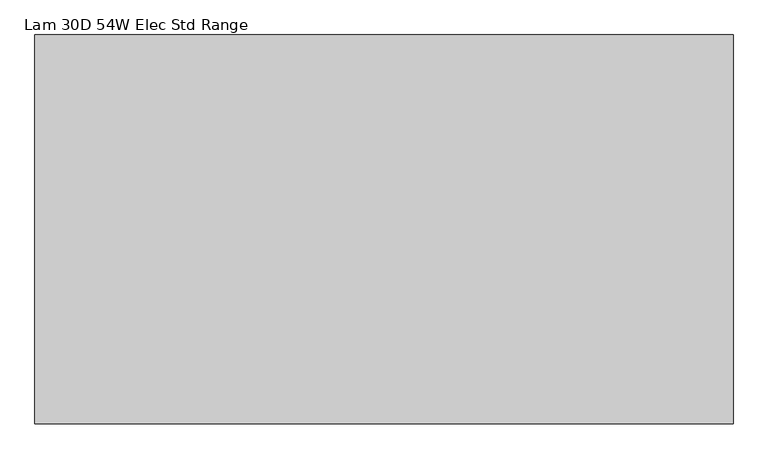
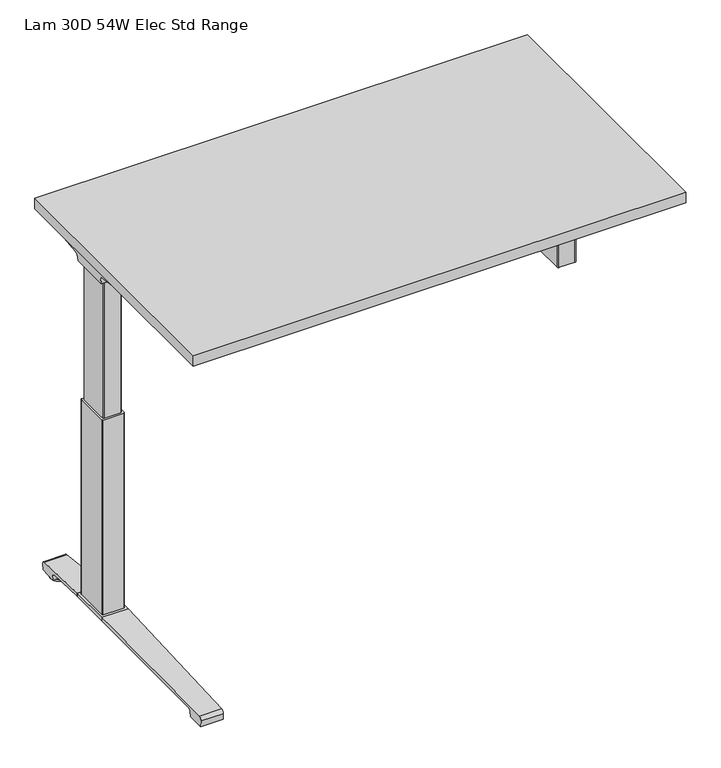
"""IFC4 building model written with IfcOpenShell, lengths in millimetres: furniture geometry, Lam 30D 54W Elec Std Range."""

from ifc_helpers import new_model, si_unit, point, frame, frame_2d, origin, place, context, project, spatial, polyline, circle_curve, ellipse_curve, trimmed, segment, composite_curve, outline, extrude, source, transform, mapped, element, save
from ifc_brep_helpers import plane_surface, cylinder_surface, revolved_surface, advanced_brep


def lam_30d_54w_elec_std_range_4f006504(model_context):
    return source(origin(), model_context, "Body", "SolidModel", [
        extrude(outline(polyline([(658.876, 366.776), (658.876, -366.776), (-658.876, -366.776), (-658.876, 366.776), (658.876, 366.776)])), frame((0.0, 0.0, 1037.209), z_axis=(0.0, 0.0, 1.0), x_axis=(1.0, 0.0, 0.0)), (0.0, 0.0, 1.0), 29.591),
        advanced_brep(
        [(-642.5406297, 194.2506702, 988.7915733), (-476.8122138, 194.2506702, 988.7915733), (-491.1924181, 192.0222169, 986.1442785), (-640.0518591, 192.0222169, 986.1442785), (-642.7625278, 194.259656, 989.0276054), (-645.1619089, 194.9036827, 1005.9443054), (-462.3773962, 194.9036827, 1005.9443054), (-462.3773962, 194.5556965, 996.8037253), (-465.2075093, 194.4745058, 994.6710821), (-465.3501644, 194.3968397, 992.6310191), (-646.0185362, 200.3707181, 1011.9839076), (-462.3773962, 200.3707181, 1011.9839076), (-648.5393767, 314.9419225, 1029.7569507), (-584.3243442, 314.9419225, 1029.7569507), (-462.3773962, 234.1372, 1017.2219877), (-648.6128152, 318.7179275, 1030.2747243), (-590.0229255, 318.7179275, 1030.2747243), (-649.2871296, 320.2281839, 1035.0289399), (-647.5021288, 317.6512888, 1037.209), (-588.4132011, 317.6512888, 1037.209), (-649.2871296, -38.7453839, 1035.0289399), (-648.6128152, -37.2351275, 1030.2747243), (-590.0229255, -37.2351275, 1030.2747243), (-588.4132011, -36.1684888, 1037.209), (-647.5021288, -36.1684888, 1037.209), (-648.5393767, -33.4591225, 1029.7569507), (-584.3243442, -33.4591225, 1029.7569507), (-646.0185362, 81.1120819, 1011.9839076), (-462.3773962, 81.1120819, 1011.9839076), (-462.3773962, 47.3456, 1017.2219877), (-645.1619089, 86.5791173, 1005.9443054), (-462.3773962, 86.5791173, 1005.9443054), (-642.7625278, 87.223144, 989.0276054), (-642.5406297, 87.2321298, 988.7915733), (-476.8122138, 87.2321298, 988.7915733), (-465.3501644, 87.0859603, 992.6310191), (-465.2075093, 87.0082942, 994.6710821), (-462.3773962, 86.9271035, 996.8037253), (-640.0518591, 89.4605831, 986.1442785), (-491.1924181, 89.4605831, 986.1442785), (-462.3773962, 47.3456, 1037.209), (-462.3773962, 234.1372, 1037.209)],
        [
            (0, 1),
            (1, 2, ellipse_curve(frame((-501.0936465, 271.2884009, 1080.3086722), z_axis=(0.0, 0.7650318638532662, -0.6439924279750482), x_axis=(0.0, 0.6439924279750482, 0.7650318638532662)), 123.7641411, 94.6835116)),
            (2, 3),
            (3, 0),
            (0, 4),
            (4, 5),
            (5, 6),
            (6, 7),
            (7, 8),
            (8, 9),
            (9, 1, ellipse_curve(frame((-501.0936465, 197.7347686, 1080.3086722), z_axis=(0.0, 0.999276106683639, -0.03804290487316255), x_axis=(0.0, 0.03804290487316397, 0.999276106683639)), 94.752102, 94.6835116)),
            (5, 10, ellipse_curve(frame((-645.1119691, 201.3622409, 1005.5922075), z_axis=(-0.990090671484964, 0.0, -0.14042956326377007), x_axis=(-0.1404295632637696, 0.0, 0.990090671484964)), 6.5328852, 6.4681487)),
            (10, 11),
            (11, 6, circle_curve(frame((-462.3773962, 201.3622409, 1005.5922075), z_axis=(1.0, 0.0, 0.0), x_axis=(0.0, 1.0, 0.0)), 6.4681487)),
            (10, 12),
            (12, 13),
            (13, 14),
            (14, 11),
            (12, 15),
            (15, 16),
            (16, 13),
            (15, 17, ellipse_curve(frame((-649.0730772, 316.7408111, 1033.5197755), z_axis=(0.990090671484964, 0.0, 0.14042956326377007), x_axis=(0.1404295632637696, 0.0, -0.990090671484964)), 3.8379455, 3.7999141)),
            (17, 18, ellipse_curve(frame((-650.522811, 316.7408111, 1033.5197755), z_axis=(0.7737284588433301, 0.0, -0.6335173809580328), x_axis=(0.6335173809580328, 0.0, 0.77372845884333)), 4.9111727, 3.7999141)),
            (18, 19),
            (19, 16, ellipse_curve(frame((-587.039148, 316.7408111, 1033.5197755), z_axis=(-0.5523637579768195, -0.8336031902972335, 0.0), x_axis=(0.8336031902972335, -0.5523637579768196, 0.0)), 6.8793689, 3.7999141)),
            (20, 21, ellipse_curve(frame((-649.0730772, -35.2580111, 1033.5197755), z_axis=(0.990090671484964, 0.0, 0.14042956326377007), x_axis=(0.1404295632637696, 0.0, -0.990090671484964)), 3.8379455, 3.7999141)),
            (21, 22),
            (22, 23, ellipse_curve(frame((-587.039148, -35.2580111, 1033.5197755), z_axis=(-0.5523637579750397, 0.8336031902984129, 0.0), x_axis=(0.8336031902984127, 0.5523637579750397, 0.0)), 6.8793689, 3.7999141)),
            (23, 24),
            (24, 20, ellipse_curve(frame((-650.522811, -35.2580111, 1033.5197755), z_axis=(0.7737284588433301, 0.0, -0.6335173809580328), x_axis=(0.6335173809580328, 0.0, 0.77372845884333)), 4.9111727, 3.7999141)),
            (21, 25),
            (25, 26),
            (26, 22),
            (27, 28),
            (28, 29),
            (29, 26),
            (25, 27),
            (27, 30, ellipse_curve(frame((-645.1119691, 80.1205591, 1005.5922075), z_axis=(-0.990090671484964, 0.0, -0.14042956326377007), x_axis=(-0.1404295632637696, 0.0, 0.990090671484964)), 6.5328852, 6.4681487)),
            (30, 31),
            (31, 28, circle_curve(frame((-462.3773962, 80.1205591, 1005.5922075), z_axis=(1.0, 0.0, 0.0), x_axis=(0.0, 1.0, 0.0)), 6.4681487)),
            (30, 32),
            (32, 33),
            (33, 34),
            (34, 35, ellipse_curve(frame((-501.0936465, 83.7480314, 1080.3086722), z_axis=(0.0, -0.9992761066836363, -0.03804290487323539), x_axis=(0.0, 0.03804290487323121, -0.9992761066836364)), 94.752102, 94.6835116)),
            (35, 36),
            (36, 37),
            (37, 31),
            (33, 38),
            (38, 39),
            (39, 34, ellipse_curve(frame((-501.0936465, 10.1943991, 1080.3086722), z_axis=(0.0, -0.7650318638534733, -0.643992427974802), x_axis=(0.0, 0.643992427974802, -0.7650318638534732)), 123.7641411, 94.6835116)),
            (4, 32),
            (20, 17),
            (24, 18),
            (23, 40),
            (40, 41),
            (41, 19),
            (37, 7),
            (14, 41),
            (40, 29),
            (36, 8),
            (35, 9),
            (39, 2),
            (38, 3),
        ],
        [
            plane_surface(frame((-665.5773962, 192.0222169, 986.1442785), z_axis=(0.0, 0.7650318638532662, -0.6439924279750482), x_axis=(1.0, 0.0, 0.0))),
            plane_surface(frame((-665.5773962, 194.2506702, 988.7915733), z_axis=(0.0, 0.999276106683639, -0.03804290487316255), x_axis=(1.0, 0.0, 0.0))),
            revolved_surface(polyline([(-646.0293793154883, 207.8303896, 1005.5922075), (-462.3773962, 207.8303896, 1005.5922075)]), (-665.5773962, 201.3622409, 1005.5922075), (-1.0, 0.0, 0.0)),
            plane_surface(frame((-665.5773962, 200.3707181, 1011.9839076), z_axis=(0.0, 0.153293135871396, -0.9881807600306302), x_axis=(1.0, 0.0, 0.0))),
            plane_surface(frame((-665.5773962, 314.9419225, 1029.7569507), z_axis=(0.0, 0.13585085469026903, -0.9907292996979162), x_axis=(1.0, 0.0, 0.0))),
            cylinder_surface(frame((-665.5773962, 316.7408111, 1033.5197755), z_axis=(1.0, 0.0, 0.0), x_axis=(0.0, 1.0, 0.0)), 3.7999141),
            cylinder_surface(frame((-665.5773962, -35.2580111, 1033.5197755), z_axis=(1.0, 0.0, 0.0), x_axis=(0.0, 1.0, 0.0)), 3.7999141),
            plane_surface(frame((-665.5773962, -37.2351275, 1030.2747243), z_axis=(0.0, -0.13585085468791205, -0.9907292996982394), x_axis=(1.0, 0.0, 0.0))),
            plane_surface(frame((-665.5773962, -33.4591225, 1029.7569507), z_axis=(0.0, -0.1532931358714066, -0.9881807600306285), x_axis=(1.0, 0.0, 0.0))),
            revolved_surface(polyline([(-646.0293793154883, 86.5887078, 1005.5922075), (-462.3773962, 86.5887078, 1005.5922075)]), (-665.5773962, 80.1205591, 1005.5922075), (-1.0, 0.0, 0.0)),
            plane_surface(frame((-665.5773962, 86.5791173, 1005.9443054), z_axis=(0.0, -0.9992761066836363, -0.03804290487323539), x_axis=(1.0, 0.0, 0.0))),
            plane_surface(frame((-665.5773962, 87.2321298, 988.7915733), z_axis=(0.0, -0.7650318638534733, -0.643992427974802), x_axis=(1.0, 0.0, 0.0))),
            plane_surface(frame((-642.7625278, 331.2414, 989.0276054), z_axis=(-0.990090671484964, 0.0, -0.14042956326377007), x_axis=(0.0, -1.0, 0.0))),
            plane_surface(frame((-649.2871296, 331.2414, 1035.0289399), z_axis=(-0.7737284588433301, 0.0, 0.6335173809580328), x_axis=(0.0, -1.0, 0.0))),
            plane_surface(frame((-647.5021288, 331.2414, 1037.209), z_axis=(0.0, 0.0, 1.0), x_axis=(0.0, -1.0, 0.0))),
            plane_surface(frame((-462.3773962, 331.2414, 1037.209), z_axis=(1.0, 0.0, 0.0), x_axis=(0.0, -1.0, 0.0))),
            plane_surface(frame((-462.3773962, 331.2414, 996.8037253), z_axis=(0.6018150231516033, 0.0, -0.7986355100476283), x_axis=(0.0, -1.0, 0.0))),
            plane_surface(frame((-465.2075093, 331.2414, 994.6710821), z_axis=(0.9975640502600401, 0.0, -0.06975647374103827), x_axis=(0.0, -1.0, 0.0))),
            cylinder_surface(frame((-501.0936465, 331.2414, 1080.3086722), z_axis=(0.0, 1.0, 0.0), x_axis=(1.0, 0.0, 0.0)), 94.6835116),
            plane_surface(frame((-491.1924181, 331.2414, 986.1442785), z_axis=(0.0, 0.0, -1.0), x_axis=(0.0, -1.0, 0.0))),
            plane_surface(frame((-640.0518591, 331.2414, 986.1442785), z_axis=(-0.728584606419653, 0.0, -0.6849558170337118), x_axis=(0.0, -1.0, 0.0))),
            plane_surface(frame((-608.9228017, 331.2414, 1037.209), z_axis=(0.5523637579768195, 0.8336031902972335, 0.0), x_axis=(0.0, 0.0, -1.0))),
            plane_surface(frame((-462.3773962, 47.3456, 1037.209), z_axis=(0.5523637579750397, -0.8336031902984129, 0.0), x_axis=(0.0, 0.0, -1.0))),
        ],
        [
            (0, [[1, 2, 3, 4]]),
            (1, [[-1, 5, 6, 7, 8, 9, 10, 11]]),
            (2, [[-7, 12, 13, 14]]),
            (3, [[-13, 15, 16, 17, 18]]),
            (4, [[19, 20, 21, -16]]),
            (5, [[22, 23, 24, 25, -20]]),
            (6, [[26, 27, 28, 29, 30]]),
            (7, [[31, 32, 33, -27]]),
            (8, [[34, 35, 36, -32, 37]]),
            (9, [[-34, 38, 39, 40]]),
            (10, [[-39, 41, 42, 43, 44, 45, 46, 47]]),
            (11, [[-43, 48, 49, 50]]),
            (12, [[51, -41, -38, -37, -31, -26, 52, -22, -19, -15, -12, -6]]),
            (13, [[-52, -30, 53, -23]]),
            (14, [[-53, -29, 54, 55, 56, -24]]),
            (15, [[57, -8, -14, -18, 58, -55, 59, -35, -40, -47]]),
            (16, [[-57, -46, 60, -9]]),
            (17, [[-60, -45, 61, -10]]),
            (18, [[-61, -44, -50, 62, -2, -11]]),
            (19, [[-62, -49, 63, -3]]),
            (20, [[-51, -5, -4, -63, -48, -42]]),
            (21, [[-56, -58, -17, -21, -25]]),
            (22, [[-54, -28, -33, -36, -59]]),
        ],
    ),
        advanced_brep(
        [(476.8122138, 194.2506702, 988.7915733), (642.5406297, 194.2506702, 988.7915733), (640.0518591, 192.0222169, 986.1442785), (491.1924181, 192.0222169, 986.1442785), (465.3501644, 194.3968397, 992.6310191), (465.2075093, 194.4745058, 994.6710821), (462.5619573, 194.5504018, 996.6646485), (462.5619573, 194.9036827, 1005.9443054), (645.1619089, 194.9036827, 1005.9443054), (642.7625278, 194.259656, 989.0276054), (462.5619573, 200.3707181, 1011.9839076), (646.0185362, 200.3707181, 1011.9839076), (462.5619573, 234.1303953, 1017.2209321), (584.3570453, 314.9419225, 1029.7569507), (648.5393767, 314.9419225, 1029.7569507), (648.6128152, 318.7179275, 1030.2747243), (590.0480509, 318.7179275, 1030.2747243), (649.2871296, 320.2281839, 1035.0289399), (588.4404665, 317.6512888, 1037.209), (647.5021288, 317.6512888, 1037.209), (648.6128152, -37.2351275, 1030.2747243), (649.2871296, -38.7453839, 1035.0289399), (647.5021288, -36.1684888, 1037.209), (588.4404665, -36.1684888, 1037.209), (590.0480509, -37.2351275, 1030.2747243), (648.5393767, -33.4591225, 1029.7569507), (584.3570453, -33.4591225, 1029.7569507), (462.5619573, 81.1120819, 1011.9839076), (646.0185362, 81.1120819, 1011.9839076), (462.5619573, 47.3524047, 1017.2209321), (462.5619573, 86.5791173, 1005.9443054), (645.1619089, 86.5791173, 1005.9443054), (462.5619573, 86.9323982, 996.6646485), (465.2075093, 87.0082942, 994.6710821), (465.3501644, 87.0859603, 992.6310191), (476.8122138, 87.2321298, 988.7915733), (642.5406297, 87.2321298, 988.7915733), (642.7625278, 87.223144, 989.0276054), (491.1924181, 89.4605831, 986.1442785), (640.0518591, 89.4605831, 986.1442785), (462.5619573, 234.1303953, 1037.209), (462.5619573, 47.3524047, 1037.209)],
        [
            (0, 1),
            (1, 2),
            (2, 3),
            (3, 0, ellipse_curve(frame((501.0936465, 271.2884009, 1080.3086722), z_axis=(0.0, 0.7650318638532565, -0.6439924279750596), x_axis=(0.0, -0.6439924279750596, -0.7650318638532564)), 123.7641411, 94.6835116)),
            (0, 4, ellipse_curve(frame((501.0936465, 197.7347686, 1080.3086722), z_axis=(0.0, 0.9992761066836392, -0.03804290487315862), x_axis=(0.0, -0.03804290487315623, -0.9992761066836393)), 94.752102, 94.6835116)),
            (4, 5),
            (5, 6),
            (6, 7),
            (7, 8),
            (8, 9),
            (9, 1),
            (7, 10, circle_curve(frame((462.5619573, 201.3622409, 1005.5922075), z_axis=(-1.0, 0.0, 0.0), x_axis=(0.0, 1.0, 0.0)), 6.4681487)),
            (10, 11),
            (11, 8, ellipse_curve(frame((645.1119691, 201.3622409, 1005.5922075), z_axis=(0.9900906714849659, 0.0, -0.1404295632637567), x_axis=(-0.1404295632637562, 0.0, -0.9900906714849659)), 6.5328852, 6.4681487)),
            (10, 12),
            (12, 13),
            (13, 14),
            (14, 11),
            (15, 14),
            (13, 16),
            (16, 15),
            (17, 15, ellipse_curve(frame((649.0730772, 316.7408111, 1033.5197755), z_axis=(-0.9900906714849659, 0.0, 0.1404295632637567), x_axis=(0.1404295632637562, 0.0, 0.9900906714849659)), 3.8379455, 3.7999141)),
            (16, 18, ellipse_curve(frame((587.06824, 316.7408111, 1033.5197755), z_axis=(0.5528743936295486, -0.8332646067539164, 0.0), x_axis=(0.8332646067539164, 0.5528743936295486, 0.0)), 6.8730151, 3.7999141)),
            (18, 19),
            (19, 17, ellipse_curve(frame((650.522811, 316.7408111, 1033.5197755), z_axis=(-0.7737284588399557, 0.0, -0.633517380962154), x_axis=(0.6335173809621538, 0.0, -0.7737284588399556)), 4.9111727, 3.7999141)),
            (20, 21, ellipse_curve(frame((649.0730772, -35.2580111, 1033.5197755), z_axis=(-0.9900906714849659, 0.0, 0.1404295632637567), x_axis=(0.1404295632637562, 0.0, 0.9900906714849659)), 3.8379455, 3.7999141)),
            (21, 22, ellipse_curve(frame((650.522811, -35.2580111, 1033.5197755), z_axis=(-0.7737284588399557, 0.0, -0.633517380962154), x_axis=(0.6335173809621538, 0.0, -0.7737284588399556)), 4.9111727, 3.7999141)),
            (22, 23),
            (23, 24, ellipse_curve(frame((587.06824, -35.2580111, 1033.5197755), z_axis=(0.5528743936295326, 0.833264606753927, 0.0), x_axis=(0.833264606753927, -0.5528743936295326, 0.0)), 6.8730151, 3.7999141)),
            (24, 20),
            (25, 20),
            (24, 26),
            (26, 25),
            (27, 28),
            (28, 25),
            (26, 29),
            (29, 27),
            (27, 30, circle_curve(frame((462.5619573, 80.1205591, 1005.5922075), z_axis=(-1.0, 0.0, 0.0), x_axis=(0.0, 1.0, 0.0)), 6.4681487)),
            (30, 31),
            (31, 28, ellipse_curve(frame((645.1119691, 80.1205591, 1005.5922075), z_axis=(0.9900906714849659, 0.0, -0.1404295632637567), x_axis=(-0.1404295632637562, 0.0, -0.9900906714849659)), 6.5328852, 6.4681487)),
            (30, 32),
            (32, 33),
            (33, 34),
            (34, 35, ellipse_curve(frame((501.0936465, 83.7480314, 1080.3086722), z_axis=(0.0, -0.9992761066836363, -0.03804290487323539), x_axis=(0.0, -0.03804290487323121, 0.9992761066836364)), 94.752102, 94.6835116)),
            (35, 36),
            (36, 37),
            (37, 31),
            (35, 38, ellipse_curve(frame((501.0936465, 10.1943991, 1080.3086722), z_axis=(0.0, -0.7650318638534733, -0.643992427974802), x_axis=(0.0, -0.643992427974802, 0.7650318638534732)), 123.7641411, 94.6835116)),
            (38, 39),
            (39, 36),
            (37, 9),
            (17, 21),
            (19, 22),
            (18, 40),
            (40, 41),
            (41, 23),
            (6, 32),
            (29, 41),
            (40, 12),
            (5, 33),
            (4, 34),
            (3, 38),
            (2, 39),
        ],
        [
            plane_surface(frame((462.5619573, 192.0222169, 986.1442785), z_axis=(0.0, 0.7650318638532565, -0.6439924279750596), x_axis=(1.0, 0.0, 0.0))),
            plane_surface(frame((462.5619573, 194.2506702, 988.7915733), z_axis=(0.0, 0.9992761066836392, -0.03804290487315862), x_axis=(1.0, 0.0, 0.0))),
            revolved_surface(polyline([(462.5619573, 207.8303896, 1005.5922075), (646.0293793154883, 207.8303896, 1005.5922075)]), (462.5619573, 201.3622409, 1005.5922075), (-1.0, 0.0, 0.0)),
            plane_surface(frame((462.5619573, 200.3707181, 1011.9839076), z_axis=(0.0, 0.15329313587140309, -0.988180760030629), x_axis=(1.0, 0.0, 0.0))),
            plane_surface(frame((462.5619573, 314.9419225, 1029.7569507), z_axis=(0.0, 0.1358508546900816, -0.9907292996979419), x_axis=(1.0, 0.0, 0.0))),
            cylinder_surface(frame((462.5619573, 316.7408111, 1033.5197755), z_axis=(1.0, 0.0, 0.0), x_axis=(0.0, 1.0, 0.0)), 3.7999141),
            cylinder_surface(frame((462.5619573, -35.2580111, 1033.5197755), z_axis=(1.0, 0.0, 0.0), x_axis=(0.0, 1.0, 0.0)), 3.7999141),
            plane_surface(frame((462.5619573, -37.2351275, 1030.2747243), z_axis=(0.0, -0.1358508546877776, -0.9907292996982578), x_axis=(1.0, 0.0, 0.0))),
            plane_surface(frame((462.5619573, -33.4591225, 1029.7569507), z_axis=(0.0, -0.15329313587141113, -0.9881807600306277), x_axis=(1.0, 0.0, 0.0))),
            revolved_surface(polyline([(462.5619573, 86.5887078, 1005.5922075), (646.0293793154883, 86.5887078, 1005.5922075)]), (462.5619573, 80.1205591, 1005.5922075), (-1.0, 0.0, 0.0)),
            plane_surface(frame((462.5619573, 86.5791173, 1005.9443054), z_axis=(0.0, -0.9992761066836363, -0.03804290487323539), x_axis=(1.0, 0.0, 0.0))),
            plane_surface(frame((462.5619573, 87.2321298, 988.7915733), z_axis=(0.0, -0.7650318638534733, -0.643992427974802), x_axis=(1.0, 0.0, 0.0))),
            plane_surface(frame((642.7625278, -49.7586, 989.0276054), z_axis=(0.9900906714849659, 0.0, -0.1404295632637567), x_axis=(0.0, 1.0, 0.0))),
            plane_surface(frame((649.2871296, -49.7586, 1035.0289399), z_axis=(0.7737284588399557, 0.0, 0.633517380962154), x_axis=(0.0, 1.0, 0.0))),
            plane_surface(frame((647.5021288, -49.7586, 1037.209), z_axis=(0.0, 0.0, 1.0), x_axis=(0.0, 1.0, 0.0))),
            plane_surface(frame((462.5619573, -49.7586, 1037.209), z_axis=(-1.0, 0.0, 0.0), x_axis=(0.0, 1.0, 0.0))),
            plane_surface(frame((462.5619573, -49.7586, 996.6646485), z_axis=(-0.6018150231540825, 0.0, -0.7986355100457599), x_axis=(0.0, 1.0, 0.0))),
            plane_surface(frame((465.2075093, -49.7586, 994.6710821), z_axis=(-0.9975640502598242, 0.0, -0.06975647374412697), x_axis=(0.0, 1.0, 0.0))),
            cylinder_surface(frame((501.0936465, -49.7586, 1080.3086722), z_axis=(0.0, -1.0, 0.0), x_axis=(-1.0, 0.0, 0.0)), 94.6835116),
            plane_surface(frame((491.1924181, -49.7586, 986.1442785), z_axis=(0.0, 0.0, -1.0), x_axis=(0.0, 1.0, 0.0))),
            plane_surface(frame((640.0518591, -49.7586, 986.1442785), z_axis=(0.7285846064222866, 0.0, -0.6849558170309101), x_axis=(0.0, 1.0, 0.0))),
            plane_surface(frame((462.5619573, 234.1303953, 1037.209), z_axis=(-0.5528743936295486, 0.8332646067539164, 0.0), x_axis=(0.0, 0.0, -1.0))),
            plane_surface(frame((608.9228017, -49.7586, 1037.209), z_axis=(-0.5528743936295326, -0.833264606753927, 0.0), x_axis=(0.0, 0.0, -1.0))),
        ],
        [
            (0, [[1, 2, 3, 4]]),
            (1, [[-1, 5, 6, 7, 8, 9, 10, 11]]),
            (2, [[-9, 12, 13, 14]]),
            (3, [[-13, 15, 16, 17, 18]]),
            (4, [[19, -17, 20, 21]]),
            (5, [[22, -21, 23, 24, 25]]),
            (6, [[26, 27, 28, 29, 30]]),
            (7, [[31, -30, 32, 33]]),
            (8, [[34, 35, -33, 36, 37]]),
            (9, [[-34, 38, 39, 40]]),
            (10, [[-39, 41, 42, 43, 44, 45, 46, 47]]),
            (11, [[-45, 48, 49, 50]]),
            (12, [[51, -10, -14, -18, -19, -22, 52, -26, -31, -35, -40, -47]]),
            (13, [[-52, -25, 53, -27]]),
            (14, [[-53, -24, 54, 55, 56, -28]]),
            (15, [[57, -41, -38, -37, 58, -55, 59, -15, -12, -8]]),
            (16, [[-57, -7, 60, -42]]),
            (17, [[-60, -6, 61, -43]]),
            (18, [[-61, -5, -4, 62, -48, -44]]),
            (19, [[-62, -3, 63, -49]]),
            (20, [[-51, -46, -50, -63, -2, -11]]),
            (21, [[-54, -23, -20, -16, -59]]),
            (22, [[-56, -58, -36, -32, -29]]),
        ],
    ),
        advanced_brep(
        [(-462.3773962, 219.4245697, 1031.9794894), (-462.3773962, 221.1889242, 1034.2075511), (-462.3773962, 232.1695225, 1034.2075511), (-462.3773962, 232.8996919, 1031.6093085), (-462.3773962, 211.4733108, 1002.0462148), (-462.3773962, 194.0724914, 993.4452863), (-462.3773962, 87.2846156, 993.4452863), (-462.3773962, 69.6568217, 1002.4997482), (-462.3773962, 48.3221138, 1032.2706054), (-462.3773962, 49.9606766, 1034.3266572), (-462.3773962, 60.1758098, 1034.3266572), (-462.3773962, 62.0467848, 1031.9794894), (-462.3773962, 61.3055637, 1031.4423822), (-462.3773962, 59.7353363, 1033.4122572), (-462.3773962, 50.0567238, 1033.4122572), (-462.3773962, 49.2508351, 1032.5444366), (-462.3773962, 70.4000744, 1003.0323858), (-462.3773962, 87.2846156, 994.3598536), (-462.3773962, 194.0724914, 994.3596863), (-462.3773962, 210.73984, 1002.5923713), (-462.3773962, 232.0935627, 1032.0552144), (-462.3773962, 231.8362942, 1033.2931511), (-462.3773962, 221.631209, 1033.2931511), (-462.3773962, 220.1656719, 1031.4424419), (462.5619573, 219.4245697, 1031.9794894), (462.5619573, 220.1656719, 1031.4424419), (462.5619573, 221.631209, 1033.2931511), (462.5619573, 231.8362942, 1033.2931511), (462.5619573, 232.0935627, 1032.0552144), (462.5619573, 210.73984, 1002.5923713), (462.5619573, 194.0724914, 994.3596863), (462.5619573, 87.2846155, 994.3596863), (462.5619573, 70.4000744, 1003.0323858), (462.5619573, 49.2508351, 1032.5444366), (462.5619573, 50.0567238, 1033.4122572), (462.5619573, 59.7353363, 1033.4122572), (462.5619573, 61.3055637, 1031.4423822), (462.5619573, 62.0467848, 1031.9794894), (462.5619573, 60.1758098, 1034.3266572), (462.5619573, 49.9606766, 1034.3266572), (462.5619573, 48.3221138, 1032.2706054), (462.5619573, 69.6568217, 1002.4997482), (462.5619573, 87.2846156, 993.4454536), (462.5619573, 194.0724914, 993.4452863), (462.5619573, 211.4733108, 1002.0462148), (462.5619573, 232.8996919, 1031.6093085), (462.5619573, 232.1695225, 1034.2075511), (462.5619573, 221.1889242, 1034.2075511)],
        [
            (0, 1),
            (1, 2),
            (2, 3, circle_curve(frame((-462.3773962, 230.9519576, 1032.4636667), z_axis=(-1.0, 0.0, 0.0), x_axis=(0.0, 1.0, 0.0)), 2.1268749)),
            (3, 4),
            (4, 5, circle_curve(frame((-462.3773962, 194.0724914, 1015.3478336), z_axis=(-1.0, 0.0, 0.0), x_axis=(0.0, 1.0, 0.0)), 21.9025472)),
            (5, 6),
            (6, 7, circle_curve(frame((-462.3773962, 87.2846156, 1015.132365), z_axis=(-1.0, 0.0, 0.0), x_axis=(0.0, 1.0, 0.0)), 21.6869114)),
            (7, 8),
            (8, 9, circle_curve(frame((-462.3773962, 50.3224635, 1032.3573833), z_axis=(-1.0, 0.0, 0.0), x_axis=(0.0, 1.0, 0.0)), 2.0022311)),
            (9, 10),
            (10, 11),
            (11, 12),
            (12, 13),
            (13, 14),
            (14, 15, circle_curve(frame((-462.3773962, 50.3224635, 1032.3573833), z_axis=(1.0, 0.0, 0.0), x_axis=(0.0, 1.0, 0.0)), 1.0878311)),
            (15, 16),
            (16, 17, circle_curve(frame((-462.3773962, 87.2846156, 1015.132365), z_axis=(1.0, 0.0, 0.0), x_axis=(0.0, 1.0, 0.0)), 20.7725114)),
            (17, 18),
            (18, 19, circle_curve(frame((-462.3773962, 194.0724914, 1015.3478336), z_axis=(1.0, 0.0, 0.0), x_axis=(0.0, 1.0, 0.0)), 20.9881473)),
            (19, 20),
            (20, 21, circle_curve(frame((-462.3773962, 230.9519576, 1032.4636667), z_axis=(1.0, 0.0, 0.0), x_axis=(0.0, 1.0, 0.0)), 1.2124749)),
            (21, 22),
            (22, 23),
            (23, 0),
            (24, 25),
            (25, 26),
            (26, 27),
            (27, 28, circle_curve(frame((462.5619573, 230.9519576, 1032.4636667), z_axis=(-1.0, 0.0, 0.0), x_axis=(0.0, 1.0, 0.0)), 1.2124749)),
            (28, 29),
            (29, 30, circle_curve(frame((462.5619573, 194.0724914, 1015.3478336), z_axis=(-1.0, 0.0, 0.0), x_axis=(0.0, 1.0, 0.0)), 20.9881473)),
            (30, 31),
            (31, 32, circle_curve(frame((462.5619573, 87.2846156, 1015.132365), z_axis=(-1.0, 0.0, 0.0), x_axis=(0.0, 1.0, 0.0)), 20.7725114)),
            (32, 33),
            (33, 34, circle_curve(frame((462.5619573, 50.3224635, 1032.3573833), z_axis=(-1.0, 0.0, 0.0), x_axis=(0.0, 1.0, 0.0)), 1.0878311)),
            (34, 35),
            (35, 36),
            (36, 37),
            (37, 38),
            (38, 39),
            (39, 40, circle_curve(frame((462.5619573, 50.3224635, 1032.3573833), z_axis=(1.0, 0.0, 0.0), x_axis=(0.0, 1.0, 0.0)), 2.0022311)),
            (40, 41),
            (41, 42, circle_curve(frame((462.5619573, 87.2846156, 1015.132365), z_axis=(1.0, 0.0, 0.0), x_axis=(0.0, 1.0, 0.0)), 21.6869114)),
            (42, 43),
            (43, 44, circle_curve(frame((462.5619573, 194.0724914, 1015.3478336), z_axis=(1.0, 0.0, 0.0), x_axis=(0.0, 1.0, 0.0)), 21.9025472)),
            (44, 45),
            (45, 46, circle_curve(frame((462.5619573, 230.9519576, 1032.4636667), z_axis=(1.0, 0.0, 0.0), x_axis=(0.0, 1.0, 0.0)), 2.1268749)),
            (46, 47),
            (47, 24),
            (0, 24),
            (47, 1),
            (46, 2),
            (45, 3),
            (44, 4),
            (43, 5),
            (42, 6),
            (41, 7),
            (40, 8),
            (39, 9),
            (38, 10),
            (37, 11),
            (36, 12),
            (35, 13),
            (34, 14),
            (33, 15),
            (32, 16),
            (31, 17),
            (30, 18),
            (29, 19),
            (28, 20),
            (27, 21),
            (26, 22),
            (25, 23),
        ],
        [
            plane_surface(frame((-462.3773962, 140.7414, 1037.209), z_axis=(-1.0, 0.0, 0.0), x_axis=(0.0, 0.0, 1.0))),
            plane_surface(frame((462.5619573, 140.7414, 1037.209), z_axis=(1.0, 0.0, 0.0), x_axis=(0.0, 0.0, 1.0))),
            plane_surface(frame((-462.3773962, 219.4245697, 1031.9794894), z_axis=(0.0, -0.7839649337165058, 0.6208051084703434), x_axis=(1.0, 0.0, 0.0))),
            plane_surface(frame((-462.3773962, 221.1889242, 1034.2075511), z_axis=(0.0, 0.0, 1.0), x_axis=(1.0, 0.0, 0.0))),
            cylinder_surface(frame((-462.3773962, 230.9519576, 1032.4636667), z_axis=(-1.0, 0.0, 0.0), x_axis=(0.0, 1.0, 0.0)), 2.1268749),
            plane_surface(frame((-462.3773962, 232.8996919, 1031.6093085), z_axis=(0.0, 0.8096997445281038, -0.586844377762217), x_axis=(1.0, 0.0, 0.0))),
            cylinder_surface(frame((-462.3773962, 194.0724914, 1015.3478336), z_axis=(-1.0, 0.0, 0.0), x_axis=(0.0, 1.0, 0.0)), 21.9025472),
            plane_surface(frame((-462.3773962, 194.0724914, 993.4452863), z_axis=(0.0, 0.0, -1.0), x_axis=(1.0, 0.0, 0.0))),
            cylinder_surface(frame((-462.3773962, 87.2846156, 1015.132365), z_axis=(-1.0, 0.0, 0.0), x_axis=(0.0, 1.0, 0.0)), 21.6869114),
            plane_surface(frame((-462.3773962, 69.6568217, 1002.4997482), z_axis=(0.0, -0.8128309997561537, -0.5824995844079305), x_axis=(1.0, 0.0, 0.0))),
            cylinder_surface(frame((-462.3773962, 50.3224635, 1032.3573833), z_axis=(-1.0, 0.0, 0.0), x_axis=(0.0, 1.0, 0.0)), 2.0022311),
            plane_surface(frame((-462.3773962, 49.9606766, 1034.3266572), z_axis=(0.0, 0.0, 1.0), x_axis=(1.0, 0.0, 0.0))),
            plane_surface(frame((-462.3773962, 60.1758098, 1034.3266572), z_axis=(0.0, 0.7819660587237972, 0.6233210112004657), x_axis=(1.0, 0.0, 0.0))),
            plane_surface(frame((-462.3773962, 62.0467848, 1031.9794894), z_axis=(0.0, 0.5867684336468096, -0.8097547809526473), x_axis=(1.0, 0.0, 0.0))),
            plane_surface(frame((-462.3773962, 61.3055637, 1031.4423822), z_axis=(0.0, -0.7819660587239206, -0.6233210112003109), x_axis=(1.0, 0.0, 0.0))),
            plane_surface(frame((-462.3773962, 59.7353363, 1033.4122572), z_axis=(0.0, 0.0, -1.0), x_axis=(1.0, 0.0, 0.0))),
            revolved_surface(polyline([(462.5619573, 51.4102946, 1032.3573833), (-462.3773962, 51.4102946, 1032.3573833)]), (-462.3773962, 50.3224635, 1032.3573833), (1.0, 0.0, 0.0)),
            plane_surface(frame((-462.3773962, 49.2508351, 1032.5444366), z_axis=(0.0, 0.8128309996716102, 0.582499584525904), x_axis=(1.0, 0.0, 0.0))),
            revolved_surface(polyline([(462.5619573, 108.057127, 1015.132365), (-462.3773962, 108.057127, 1015.132365)]), (-462.3773962, 87.2846156, 1015.132365), (1.0, 0.0, 0.0)),
            plane_surface(frame((-462.3773962, 87.2846155, 994.3596863), z_axis=(0.0, 0.0, 1.0), x_axis=(1.0, 0.0, 0.0))),
            revolved_surface(polyline([(462.5619573, 215.0606387, 1015.3478336), (-462.3773962, 215.0606387, 1015.3478336)]), (-462.3773962, 194.0724914, 1015.3478336), (1.0, 0.0, 0.0)),
            plane_surface(frame((-462.3773962, 210.73984, 1002.5923713), z_axis=(0.0, -0.8096997449536107, 0.5868443771751228), x_axis=(1.0, 0.0, 0.0))),
            revolved_surface(polyline([(462.5619573, 232.16443249999998, 1032.4636667), (-462.3773962, 232.16443249999998, 1032.4636667)]), (-462.3773962, 230.9519576, 1032.4636667), (1.0, 0.0, 0.0)),
            plane_surface(frame((-462.3773962, 231.8362942, 1033.2931511), z_axis=(0.0, 0.0, -1.0), x_axis=(1.0, 0.0, 0.0))),
            plane_surface(frame((-462.3773962, 221.631209, 1033.2931511), z_axis=(0.0, 0.7839649337164979, -0.6208051084703533), x_axis=(1.0, 0.0, 0.0))),
            plane_surface(frame((-462.3773962, 220.1656719, 1031.4424419), z_axis=(0.0, -0.5867873637752554, -0.8097410633737715), x_axis=(1.0, 0.0, 0.0))),
        ],
        [
            (0, [[1, 2, 3, 4, 5, 6, 7, 8, 9, 10, 11, 12, 13, 14, 15, 16, 17, 18, 19, 20, 21, 22, 23, 24]]),
            (1, [[25, 26, 27, 28, 29, 30, 31, 32, 33, 34, 35, 36, 37, 38, 39, 40, 41, 42, 43, 44, 45, 46, 47, 48]]),
            (2, [[-1, 49, -48, 50]]),
            (3, [[-2, -50, -47, 51]]),
            (4, [[-3, -51, -46, 52]]),
            (5, [[-4, -52, -45, 53]]),
            (6, [[-5, -53, -44, 54]]),
            (7, [[-6, -54, -43, 55]]),
            (8, [[-7, -55, -42, 56]]),
            (9, [[-8, -56, -41, 57]]),
            (10, [[-9, -57, -40, 58]]),
            (11, [[-10, -58, -39, 59]]),
            (12, [[-11, -59, -38, 60]]),
            (13, [[-12, -60, -37, 61]]),
            (14, [[-13, -61, -36, 62]]),
            (15, [[-14, -62, -35, 63]]),
            (16, [[-15, -63, -34, 64]]),
            (17, [[-16, -64, -33, 65]]),
            (18, [[-17, -65, -32, 66]]),
            (19, [[-18, -66, -31, 67]]),
            (20, [[-19, -67, -30, 68]]),
            (21, [[-20, -68, -29, 69]]),
            (22, [[-21, -69, -28, 70]]),
            (23, [[-22, -70, -27, 71]]),
            (24, [[-23, -71, -26, 72]]),
            (25, [[-24, -72, -25, -49]]),
        ],
    ),
        extrude(outline(composite_curve([segment(polyline([(55.5056383, 1035.5739712), (47.2253898, 1035.5739712), (46.7140592, 1034.5565876), (69.739753, 1002.6872047)]), True, "CONTINUOUS"), segment(trimmed(circle_curve(frame_2d((87.8837814, 1018.2741393)), 23.9198306), [point((69.739753, 1002.6872047))], [point((87.8837814, 994.3543087))], True, "CARTESIAN"), True, "CONTINUOUS"), segment(polyline([(87.8837814, 994.3543087), (301.5718611, 994.3543087)]), True, "CONTINUOUS"), segment(trimmed(circle_curve(frame_2d((302.3659677, 1016.4522042)), 22.1121593), [point((301.5718611, 994.3543087))], [point((320.2711793, 1003.4771903))], True, "CARTESIAN"), True, "CONTINUOUS"), segment(polyline([(320.2711793, 1003.4771903), (342.2234672, 1033.7708273), (342.9639039, 1033.2342821), (321.0116102, 1002.940637)]), True, "CONTINUOUS"), segment(trimmed(circle_curve(frame_2d((302.3659677, 1016.4522042)), 23.0265593), [point((321.0116102, 1002.940637))], [point((301.555603, 993.4399087))], False, "CARTESIAN"), True, "CONTINUOUS"), segment(polyline([(301.555603, 993.4399087), (87.8837814, 993.4399087)]), True, "CONTINUOUS"), segment(trimmed(circle_curve(frame_2d((87.8837814, 1018.2741393)), 24.8342306), [point((87.8837814, 993.4399087))], [point((69.0208769, 1002.1208163))], False, "CARTESIAN"), True, "CONTINUOUS"), segment(polyline([(69.0208769, 1002.1208163), (45.6477131, 1034.4711252), (46.6615684, 1036.4883712), (55.7445219, 1036.4883712), (55.5056383, 1035.5739712)]), True, "CONTINUOUS")], self_intersect=False)), frame((-462.3773962, 0.0, 0.0), z_axis=(1.0, 0.0, 0.0), x_axis=(0.0, 1.0, 0.0)), (0.0, 0.0, 1.0), 924.9393535),
        advanced_brep(
        [(586.1283088, 185.4896497, 986.1442785), (583.3624028, 183.1364111, 986.1442785), (583.3624028, 98.3627858, 986.1442785), (586.4159671, 96.013387, 986.1442785), (629.7299922, 95.9931503, 986.1442785), (632.7895972, 98.3628936, 986.1442785), (632.7895972, 183.1364956, 986.1442785), (630.0236912, 185.4896497, 986.1442785), (586.1283088, 185.4896497, 599.0990785), (630.0236912, 185.4896497, 599.0990785), (632.7895972, 183.1364956, 599.0990785), (632.7895972, 98.3628936, 599.0990785), (629.7360098, 96.0133923, 599.0990785), (586.4220078, 95.9931503, 599.0990785), (583.3624028, 98.3627858, 599.0990785), (583.3624028, 183.1364111, 599.0990785)],
        [
            (0, 1, circle_curve(frame((586.4300788, 182.3328719, 986.1442785), z_axis=(0.0, 0.0, 1.0), x_axis=(1.0, 0.0, 0.0)), 3.1711688)),
            (1, 2),
            (2, 3, circle_curve(frame((586.4159671, 99.172478, 986.1442785), z_axis=(0.0, 0.0, 1.0), x_axis=(1.0, 0.0, 0.0)), 3.1590911)),
            (3, 4),
            (4, 5, circle_curve(frame((629.7360098, 99.172478, 986.1442785), z_axis=(0.0, 0.0, 1.0), x_axis=(1.0, 0.0, 0.0)), 3.1590858)),
            (5, 6),
            (6, 7, circle_curve(frame((629.7219439, 182.3328698, 986.1442785), z_axis=(0.0, 0.0, 1.0), x_axis=(1.0, 0.0, 0.0)), 3.1711687)),
            (7, 0),
            (8, 9),
            (9, 10, circle_curve(frame((629.7219439, 182.3328698, 599.0990785), z_axis=(0.0, 0.0, -1.0), x_axis=(1.0, 0.0, 0.0)), 3.1711687)),
            (10, 11),
            (11, 12, circle_curve(frame((629.7360098, 99.172478, 599.0990785), z_axis=(0.0, 0.0, -1.0), x_axis=(1.0, 0.0, 0.0)), 3.1590858)),
            (12, 13),
            (13, 14, circle_curve(frame((586.4159671, 99.172478, 599.0990785), z_axis=(0.0, 0.0, -1.0), x_axis=(1.0, 0.0, 0.0)), 3.1590911)),
            (14, 15),
            (15, 8, circle_curve(frame((586.4300788, 182.3328719, 599.0990785), z_axis=(0.0, 0.0, -1.0), x_axis=(1.0, 0.0, 0.0)), 3.1711688)),
            (7, 9),
            (8, 0),
            (6, 10),
            (5, 11),
            (4, 12),
            (3, 13),
            (2, 14),
            (1, 15),
        ],
        [
            plane_surface(frame((589.6012476, 182.3328719, 986.1442785), z_axis=(0.0, 0.0, 1.0), x_axis=(0.0, 1.0, 0.0))),
            plane_surface(frame((589.6012476, 182.3328719, 599.0990785), z_axis=(0.0, 0.0, -1.0), x_axis=(0.0, -1.0, 0.0))),
            plane_surface(frame((630.0236912, 185.4896497, 986.1442785), z_axis=(0.0, 1.0, 0.0), x_axis=(0.0, 0.0, -1.0))),
            cylinder_surface(frame((629.7219439, 182.3328698, 599.0990785), z_axis=(0.0, 0.0, 1.0), x_axis=(1.0, 0.0, 0.0)), 3.1711687),
            plane_surface(frame((632.7895972, 98.3628936, 986.1442785), z_axis=(1.0, 0.0, 0.0), x_axis=(0.0, 0.0, -1.0))),
            cylinder_surface(frame((629.7360098, 99.172478, 599.0990785), z_axis=(0.0, 0.0, 1.0), x_axis=(1.0, 0.0, 0.0)), 3.1590858),
            plane_surface(frame((586.4220078, 95.9931503, 986.1442785), z_axis=(0.0, -1.0, 0.0), x_axis=(0.0, 0.0, -1.0))),
            cylinder_surface(frame((586.4159671, 99.172478, 599.0990785), z_axis=(0.0, 0.0, 1.0), x_axis=(1.0, 0.0, 0.0)), 3.1590911),
            plane_surface(frame((583.3624028, 183.1364111, 986.1442785), z_axis=(-1.0, 0.0, 0.0), x_axis=(0.0, 0.0, -1.0))),
            cylinder_surface(frame((586.4300788, 182.3328719, 599.0990785), z_axis=(0.0, 0.0, 1.0), x_axis=(1.0, 0.0, 0.0)), 3.1711688),
        ],
        [
            (0, [[1, 2, 3, 4, 5, 6, 7, 8]]),
            (1, [[9, 10, 11, 12, 13, 14, 15, 16]]),
            (2, [[-8, 17, -9, 18]]),
            (3, [[-7, 19, -10, -17]]),
            (4, [[-6, 20, -11, -19]]),
            (5, [[-5, 21, -12, -20]]),
            (6, [[-4, 22, -13, -21]]),
            (7, [[-3, 23, -14, -22]]),
            (8, [[-2, 24, -15, -23]]),
            (9, [[-1, -18, -16, -24]]),
        ],
    ),
        advanced_brep(
        [(-586.1283088, 185.4896497, 986.1442785), (-630.0236912, 185.4896497, 986.1442785), (-632.7806448, 183.1699241, 986.1442785), (-632.7806448, 98.3298508, 986.1442785), (-629.7360098, 96.0133923, 986.1442785), (-586.4220078, 95.9931503, 986.1442785), (-583.3713552, 98.3297475, 986.1442785), (-583.3713552, 183.1698433, 986.1442785), (-586.1283088, 185.4896497, 599.0990785), (-583.3713552, 183.1698433, 599.0990785), (-583.3713552, 98.3297475, 599.0990785), (-586.4159671, 96.013387, 599.0990785), (-629.7299922, 95.9931503, 599.0990785), (-632.7806448, 98.3298508, 599.0990785), (-632.7806448, 183.1699241, 599.0990785), (-630.0236912, 185.4896497, 599.0990785)],
        [
            (0, 1),
            (1, 2, circle_curve(frame((-629.7219439, 182.3328698, 986.1442785), z_axis=(0.0, 0.0, 1.0), x_axis=(-1.0, 0.0, 0.0)), 3.1711687)),
            (2, 3),
            (3, 4, circle_curve(frame((-629.7360098, 99.172478, 986.1442785), z_axis=(0.0, 0.0, 1.0), x_axis=(-1.0, 0.0, 0.0)), 3.1590858)),
            (4, 5),
            (5, 6, circle_curve(frame((-586.4159671, 99.172478, 986.1442785), z_axis=(0.0, 0.0, 1.0), x_axis=(-1.0, 0.0, 0.0)), 3.1590911)),
            (6, 7),
            (7, 0, circle_curve(frame((-586.4300788, 182.3328719, 986.1442785), z_axis=(0.0, 0.0, 1.0), x_axis=(-1.0, 0.0, 0.0)), 3.1711688)),
            (8, 9, circle_curve(frame((-586.4300788, 182.3328719, 599.0990785), z_axis=(0.0, 0.0, -1.0), x_axis=(-1.0, 0.0, 0.0)), 3.1711688)),
            (9, 10),
            (10, 11, circle_curve(frame((-586.4159671, 99.172478, 599.0990785), z_axis=(0.0, 0.0, -1.0), x_axis=(-1.0, 0.0, 0.0)), 3.1590911)),
            (11, 12),
            (12, 13, circle_curve(frame((-629.7360098, 99.172478, 599.0990785), z_axis=(0.0, 0.0, -1.0), x_axis=(-1.0, 0.0, 0.0)), 3.1590858)),
            (13, 14),
            (14, 15, circle_curve(frame((-629.7219439, 182.3328698, 599.0990785), z_axis=(0.0, 0.0, -1.0), x_axis=(-1.0, 0.0, 0.0)), 3.1711687)),
            (15, 8),
            (0, 8),
            (15, 1),
            (14, 2),
            (13, 3),
            (12, 4),
            (11, 5),
            (10, 6),
            (9, 7),
        ],
        [
            plane_surface(frame((-630.0236912, 185.4896497, 986.1442785), z_axis=(0.0, 0.0, 1.0), x_axis=(-1.0, 0.0, 0.0))),
            plane_surface(frame((-630.0236912, 185.4896497, 599.0990785), z_axis=(0.0, 0.0, -1.0), x_axis=(1.0, 0.0, 0.0))),
            plane_surface(frame((-586.1283088, 185.4896497, 986.1442785), z_axis=(0.0, 1.0, 0.0), x_axis=(0.0, 0.0, -1.0))),
            cylinder_surface(frame((-629.7219439, 182.3328698, 599.0990785), z_axis=(0.0, 0.0, 1.0), x_axis=(-1.0, 0.0, 0.0)), 3.1711687),
            plane_surface(frame((-632.7806448, 183.1699241, 986.1442785), z_axis=(-1.0, 0.0, 0.0), x_axis=(0.0, 0.0, -1.0))),
            cylinder_surface(frame((-629.7360098, 99.172478, 599.0990785), z_axis=(0.0, 0.0, 1.0), x_axis=(-1.0, 0.0, 0.0)), 3.1590858),
            plane_surface(frame((-629.7299922, 95.9931503, 986.1442785), z_axis=(0.0, -1.0, 0.0), x_axis=(0.0, 0.0, -1.0))),
            cylinder_surface(frame((-586.4159671, 99.172478, 599.0990785), z_axis=(0.0, 0.0, 1.0), x_axis=(-1.0, 0.0, 0.0)), 3.1590911),
            plane_surface(frame((-583.3713552, 98.3297475, 986.1442785), z_axis=(1.0, 0.0, 0.0), x_axis=(0.0, 0.0, -1.0))),
            cylinder_surface(frame((-586.4300788, 182.3328719, 599.0990785), z_axis=(0.0, 0.0, 1.0), x_axis=(-1.0, 0.0, 0.0)), 3.1711688),
        ],
        [
            (0, [[1, 2, 3, 4, 5, 6, 7, 8]]),
            (1, [[9, 10, 11, 12, 13, 14, 15, 16]]),
            (2, [[-1, 17, -16, 18]]),
            (3, [[-2, -18, -15, 19]]),
            (4, [[-3, -19, -14, 20]]),
            (5, [[-4, -20, -13, 21]]),
            (6, [[-5, -21, -12, 22]]),
            (7, [[-6, -22, -11, 23]]),
            (8, [[-7, -23, -10, 24]]),
            (9, [[-8, -24, -9, -17]]),
        ],
    ),
        advanced_brep(
        [(-578.3785054, 366.395, 26.8186), (-578.138546, 358.907527, 35.7787117), (-572.9452167, 196.8596127, 48.10013), (-572.9452167, 196.8596127, 38.9541198), (-576.6147479, 311.3603185, 29.0296138), (-576.8055925, 317.3152602, 22.833301), (-576.8414534, 318.4342309, 10.0434261), (-578.3321874, 364.9497362, 10.041053), (-638.0130961, 358.907527, 35.7787117), (-637.7731367, 366.395, 26.8186), (-637.8194547, 364.9497362, 10.041053), (-639.3101887, 318.4342309, 10.0434261), (-639.3460496, 317.3152602, 22.833301), (-639.5368942, 311.3603185, 29.0296138), (-643.2064257, 196.8596013, 38.9541208), (-643.2064254, 196.8596127, 48.10013)],
        [
            (0, 1, ellipse_curve(frame((-578.1139784, 358.1409412, 27.5296273), z_axis=(0.9994868545941119, 0.03203166392132357, 0.0), x_axis=(0.032031663921321764, -0.9994868545941119, 0.0)), 8.2888806, 8.2846272)),
            (1, 2, ellipse_curve(frame((-523.0154773, -1361.1024809, -21513.5555316), z_axis=(0.9994868545941119, 0.03203166392132357, 0.0), x_axis=(0.032031663921321764, -0.9994868545941119, 0.0)), 21628.9673577, 21617.8685525)),
            (2, 3),
            (3, 4),
            (4, 5, ellipse_curve(frame((-576.5869516, 310.4929906, 22.2364289), z_axis=(-0.9994868545941119, -0.03203166392132357, 0.0), x_axis=(-0.032031663921321764, 0.9994868545941119, 0.0)), 6.8518456, 6.8483297)),
            (5, 6),
            (6, 7),
            (7, 0),
            (8, 9, ellipse_curve(frame((-638.0376637, 358.1409412, 27.5296273), z_axis=(-0.9994868545941159, 0.032031663921201325, 0.0), x_axis=(0.032031663921197655, 0.999486854594116, 0.0)), 8.2888806, 8.2846272)),
            (9, 10),
            (10, 11),
            (11, 12),
            (12, 13, ellipse_curve(frame((-639.5646904, 310.4929906, 22.2364289), z_axis=(0.9994868545941159, -0.032031663921201325, 0.0), x_axis=(-0.032031663921197655, -0.999486854594116, 0.0)), 6.8518456, 6.8483297)),
            (13, 14),
            (14, 15),
            (15, 8, ellipse_curve(frame((-693.1361648, -1361.1024809, -21513.5555316), z_axis=(-0.9994868545941159, 0.032031663921201325, 0.0), x_axis=(0.032031663921197655, 0.999486854594116, 0.0)), 21628.9673577, 21617.8685525)),
            (0, 9),
            (8, 1),
            (7, 10),
            (6, 11),
            (5, 12),
            (4, 13),
            (3, 14),
            (2, 15),
        ],
        [
            plane_surface(frame((-578.4293817, 367.9825, 48.10013), z_axis=(0.9994868545941119, 0.03203166392132357, 0.0), x_axis=(0.0, 0.0, -1.0))),
            plane_surface(frame((-643.2064254, 196.8596127, 48.10013), z_axis=(-0.9994868545941159, 0.032031663921201325, 0.0), x_axis=(0.0, 0.0, -1.0))),
            cylinder_surface(frame((-643.2067833, 358.1409412, 27.5296273), z_axis=(1.0, 0.0, 0.0), x_axis=(0.0, 1.0, 0.0)), 8.2846272),
            plane_surface(frame((-572.9452167, 364.9497362, 10.041053), z_axis=(0.0, 0.9963102368704431, -0.08582489095339255), x_axis=(-1.0, 0.0, 0.0))),
            plane_surface(frame((-572.9452167, 318.4342309, 10.0434261), z_axis=(0.0, -5.1017984201453615e-05, -0.9999999986985827), x_axis=(-1.0, 0.0, 0.0))),
            plane_surface(frame((-572.9452167, 317.3152602, 22.833301), z_axis=(0.0, -0.996194687383787, -0.08715586514009782), x_axis=(-1.0, 0.0, 0.0))),
            revolved_surface(polyline([(-639.7841664154992, 317.3413203, 22.2364289), (-576.3674755845, 317.3413203, 22.2364289)]), (-643.2067833, 310.4929906, 22.2364289), (-1.0, 0.0, 0.0)),
            plane_surface(frame((-572.9452167, 196.8596127, 38.9541198), z_axis=(0.0, -0.08635260649848531, -0.9962646372078644), x_axis=(-1.0, 0.0, 0.0))),
            plane_surface(frame((-572.9452167, 196.8596127, 48.10013), z_axis=(0.0, -1.0, 0.0), x_axis=(-1.0, 0.0, 0.0))),
            cylinder_surface(frame((-643.2067833, -1361.1024809, -21513.5555316), z_axis=(1.0, 0.0, 0.0), x_axis=(0.0, 1.0, 0.0)), 21617.8685525),
        ],
        [
            (0, [[1, 2, 3, 4, 5, 6, 7, 8]]),
            (1, [[9, 10, 11, 12, 13, 14, 15, 16]]),
            (2, [[17, -9, 18, -1]]),
            (3, [[-17, -8, 19, -10]]),
            (4, [[-19, -7, 20, -11]]),
            (5, [[-20, -6, 21, -12]]),
            (6, [[-21, -5, 22, -13]]),
            (7, [[23, -14, -22, -4]]),
            (8, [[-23, -3, 24, -15]]),
            (9, [[-24, -2, -18, -16]]),
        ],
    ),
        extrude(outline(polyline([(-572.9452167, 196.8596127), (-572.9452167, 84.6231873), (-643.2067833, 84.6231873), (-643.2067833, 196.8596127), (-572.9452167, 196.8596127)])), frame((0.0, 0.0, 38.9541198), z_axis=(0.0, 0.0, 1.0), x_axis=(1.0, 0.0, 0.0)), (0.0, 0.0, 1.0), 9.1460102),
        advanced_brep(
        [(-578.3194214, -358.907527, 35.7787117), (-637.8322206, -358.907527, 35.7787117), (-637.7414959, -366.395, 26.8186), (-578.4101462, -366.395, 26.8186), (-637.759008, -364.9497362, 10.041053), (-578.3926341, -364.9497362, 10.041053), (-638.3226304, -318.4342309, 10.0434261), (-577.8290117, -318.4342309, 10.0434261), (-638.3361888, -317.3152602, 22.833301), (-577.8154533, -317.3152602, 22.833301), (-638.4083441, -311.3603185, 29.0296138), (-577.743298, -311.3603185, 29.0296138), (-643.2067833, 84.6231873, 38.9541198), (-572.9452167, 84.6231873, 38.9541198), (-643.2064254, 84.6231873, 48.10013), (-572.9452167, 84.6231873, 48.10013)],
        [
            (0, 1),
            (1, 2, ellipse_curve(frame((-637.8415093, -358.1409412, 27.5296273), z_axis=(0.9999265987939377, 0.012115982188316428, 0.0), x_axis=(0.012115982188303884, -0.9999265987939377, 0.0)), 8.2852353, 8.2846272)),
            (2, 3),
            (3, 0, ellipse_curve(frame((-578.3101328, -358.1409412, 27.5296273), z_axis=(-0.9999265987939382, 0.01211598218828017, 0.0), x_axis=(0.012115982188270034, 0.9999265987939382, 0.0)), 8.2852353, 8.2846272)),
            (2, 4),
            (4, 5),
            (5, 3),
            (4, 6),
            (6, 7),
            (7, 5),
            (6, 8),
            (8, 9),
            (9, 7),
            (8, 10, ellipse_curve(frame((-638.4188534, -310.4929906, 22.2364289), z_axis=(-0.9999265987939377, -0.012115982188316428, 0.0), x_axis=(-0.012115982188303884, 0.9999265987939377, 0.0)), 6.8488324, 6.8483297)),
            (10, 11),
            (11, 9, ellipse_curve(frame((-577.7327887, -310.4929906, 22.2364289), z_axis=(0.9999265987939382, -0.01211598218828017, 0.0), x_axis=(-0.012115982188270034, -0.9999265987939382, 0.0)), 6.8488324, 6.8483297)),
            (12, 13),
            (13, 11),
            (10, 12),
            (12, 14),
            (14, 15),
            (15, 13),
            (14, 1, ellipse_curve(frame((-658.673361, 1361.1024809, -53889.9620034), z_axis=(0.9999265987939377, 0.012115982188316428, 0.0), x_axis=(0.012115982188303884, -0.9999265987939377, 0.0)), 53957.1248932, 53953.1643751)),
            (0, 15, ellipse_curve(frame((-557.4782811, 1361.1024809, -53889.9620034), z_axis=(-0.9999265987939382, 0.01211598218828017, 0.0), x_axis=(0.012115982188270034, 0.9999265987939382, 0.0)), 53957.1248932, 53953.1643751)),
        ],
        [
            cylinder_surface(frame((-643.2067833, -358.1409412, 27.5296273), z_axis=(1.0, 0.0, 0.0), x_axis=(0.0, 1.0, 0.0)), 8.2846272),
            plane_surface(frame((-572.9452167, -366.395, 26.8186), z_axis=(0.0, -0.9963102368704919, -0.08582489095282501), x_axis=(-1.0, 0.0, 0.0))),
            plane_surface(frame((-572.9452167, -364.9497362, 10.041053), z_axis=(0.0, 5.101798398847279e-05, -0.9999999986985827), x_axis=(-1.0, 0.0, 0.0))),
            plane_surface(frame((-572.9452167, -318.4342309, 10.0434261), z_axis=(0.0, 0.9961946873837942, -0.08715586514001598), x_axis=(-1.0, 0.0, 0.0))),
            revolved_surface(polyline([(-638.5018337313691, -303.64466089999996, 22.2364289), (-577.6498083686312, -303.64466089999996, 22.2364289)]), (-643.2067833, -310.4929906, 22.2364289), (-1.0, 0.0, 0.0)),
            plane_surface(frame((-572.9452167, -311.3603185, 29.0296138), z_axis=(0.0, 0.025055059879537274, -0.9996860727120453), x_axis=(-1.0, 0.0, 0.0))),
            plane_surface(frame((-572.9452167, 84.6231873, 38.9541198), z_axis=(0.0, 1.0, 0.0), x_axis=(-1.0, 0.0, 0.0))),
            cylinder_surface(frame((-643.2067833, 1361.1024809, -53889.9620034), z_axis=(1.0, 0.0, 0.0), x_axis=(0.0, 1.0, 0.0)), 53953.1643751),
            plane_surface(frame((-572.9452167, 84.6231873, 48.10013), z_axis=(0.9999265987939382, -0.01211598218828017, 0.0), x_axis=(0.0, 0.0, -1.0))),
            plane_surface(frame((-637.7222604, -367.9825, 48.10013), z_axis=(-0.9999265987939377, -0.012115982188316428, 0.0), x_axis=(0.0, 0.0, -1.0))),
        ],
        [
            (0, [[1, 2, 3, 4]]),
            (1, [[-3, 5, 6, 7]]),
            (2, [[-6, 8, 9, 10]]),
            (3, [[-9, 11, 12, 13]]),
            (4, [[-12, 14, 15, 16]]),
            (5, [[17, 18, -15, 19]]),
            (6, [[-17, 20, 21, 22]]),
            (7, [[-21, 23, -1, 24]]),
            (8, [[-4, -7, -10, -13, -16, -18, -22, -24]]),
            (9, [[-2, -23, -20, -19, -14, -11, -8, -5]]),
        ],
    ),
        extrude(outline(composite_curve([segment(trimmed(circle_curve(frame_2d((-580.416092, 188.467308)), 2.248592), [point((-580.416092, 190.7159))], [point((-578.1675, 188.467308))], False, "CARTESIAN"), True, "CONTINUOUS"), segment(polyline([(-578.1675, 188.467308), (-578.1675, 93.0155469)]), True, "CONTINUOUS"), segment(trimmed(circle_curve(frame_2d((-580.4161469, 93.0155469)), 2.2486469), [point((-578.1675, 93.0155469))], [point((-580.4161469, 90.7669))], False, "CARTESIAN"), True, "CONTINUOUS"), segment(polyline([(-580.4161469, 90.7669), (-635.735908, 90.7669)]), True, "CONTINUOUS"), segment(trimmed(circle_curve(frame_2d((-635.735908, 93.015492)), 2.248592), [point((-635.735908, 90.7669))], [point((-637.9845, 93.015492))], False, "CARTESIAN"), True, "CONTINUOUS"), segment(polyline([(-637.9845, 93.015492), (-637.9845, 188.467308)]), True, "CONTINUOUS"), segment(trimmed(circle_curve(frame_2d((-635.735908, 188.467308)), 2.248592), [point((-637.9845, 188.467308))], [point((-635.735908, 190.7159))], False, "CARTESIAN"), True, "CONTINUOUS"), segment(polyline([(-635.735908, 190.7159), (-580.416092, 190.7159)]), True, "CONTINUOUS")], self_intersect=False)), frame((0.0, 0.0, 48.10013), z_axis=(0.0, 0.0, 1.0), x_axis=(1.0, 0.0, 0.0)), (0.0, 0.0, 1.0), 550.9989485),
        advanced_brep(
        [(-608.076, 314.8489737, 0.0), (-608.076, 365.038997, 0.0), (-608.076, 339.9439854, 0.0), (-608.076, 314.9336842, 5.0038001), (-608.076, 364.9542866, 5.0038001), (-608.076, 335.9434855, 8.4327997), (-608.076, 343.9444853, 8.4327997), (-608.076, 335.9434855, 10.0423733), (-608.076, 343.9444853, 10.0423733), (-608.076, 339.9439854, 10.0423733)],
        [
            (0, 1, circle_curve(frame((-608.076, 339.9439854, 0.0), z_axis=(0.0, 0.0, -1.0), x_axis=(0.0, 1.0, 0.0)), 25.0950117)),
            (1, 2),
            (2, 0),
            (1, 0, circle_curve(frame((-608.076, 339.9439854, 0.0), z_axis=(0.0, 0.0, -1.0), x_axis=(0.0, 1.0, 0.0)), 25.0950117)),
            (3, 4, circle_curve(frame((-608.076, 339.9439854, 5.0038001), z_axis=(0.0, 0.0, -1.0), x_axis=(0.0, 1.0, 0.0)), 25.0103012)),
            (4, 1),
            (0, 3),
            (4, 3, circle_curve(frame((-608.076, 339.9439854, 5.0038001), z_axis=(0.0, 0.0, -1.0), x_axis=(0.0, 1.0, 0.0)), 25.0103012)),
            (5, 6, circle_curve(frame((-608.076, 339.9439854, 8.4327997), z_axis=(0.0, 0.0, -1.0), x_axis=(0.0, 1.0, 0.0)), 4.0004999)),
            (6, 4, circle_curve(frame((-608.076, 343.9764687, -57.4502444), z_axis=(-1.0, 0.0, 0.0), x_axis=(0.0, 1.0, 0.0)), 65.8830518)),
            (3, 5, circle_curve(frame((-608.076, 335.9115021, -57.4502444), z_axis=(-1.0, 0.0, 0.0), x_axis=(0.0, -1.0, 0.0)), 65.8830518)),
            (6, 5, circle_curve(frame((-608.076, 339.9439854, 8.4327997), z_axis=(0.0, 0.0, -1.0), x_axis=(0.0, 1.0, 0.0)), 4.0004999)),
            (7, 8, circle_curve(frame((-608.076, 339.9439854, 10.0423733), z_axis=(0.0, 0.0, -1.0), x_axis=(0.0, 1.0, 0.0)), 4.0004999)),
            (8, 6),
            (5, 7),
            (8, 7, circle_curve(frame((-608.076, 339.9439854, 10.0423733), z_axis=(0.0, 0.0, -1.0), x_axis=(0.0, 1.0, 0.0)), 4.0004999)),
            (9, 8),
            (7, 9),
        ],
        [
            plane_surface(frame((-608.076, 339.9439854, 0.0), z_axis=(0.0, 0.0, -1.0), x_axis=(0.0, 1.0, 0.0))),
            revolved_surface(polyline([(-608.076, 365.038997, 0.0), (-608.076, 364.9542866, 5.0038001)]), (-608.076, 339.9439854, 0.0), (0.0, 0.0, 1.0)),
            revolved_surface(trimmed(ellipse_curve(frame((-608.076, 343.9764687, -57.4502444), z_axis=(1.0, 0.0, 0.0), x_axis=(0.0, 1.0, 0.0)), 65.8830518, 65.8830518), [point((-608.076, 364.9542866, 5.0038001))], [point((-608.076, 343.9444853, 8.4327997))], True, "CARTESIAN"), (-608.076, 339.9439854, 0.0), (0.0, 0.0, 1.0)),
            cylinder_surface(frame((-608.076, 339.9439854, 0.0), z_axis=(0.0, 0.0, 1.0), x_axis=(0.0, 1.0, 0.0)), 4.0004999),
            plane_surface(frame((-608.076, 339.9439854, 10.0423733), z_axis=(0.0, 0.0, 1.0), x_axis=(0.0, 1.0, 0.0))),
        ],
        [
            (0, [[1, 2, 3]]),
            (0, [[4, -3, -2]]),
            (1, [[5, 6, -1, 7]]),
            (1, [[8, -7, -4, -6]]),
            (2, [[9, 10, -5, 11]]),
            (2, [[12, -11, -8, -10]]),
            (3, [[13, 14, -9, 15]]),
            (3, [[16, -15, -12, -14]]),
            (4, [[17, -13, 18]]),
            (4, [[-18, -16, -17]]),
        ],
    ),
    ])


if __name__ == "__main__":
    model = new_model("IFC4")
    model_context = context("Model", 3, world=origin())
    ifc_project = project(units=[si_unit("LENGTHUNIT", "METRE", prefix="MILLI")], contexts=[model_context])
    site = spatial("IfcSite", under=ifc_project)
    building = spatial("IfcBuilding", under=site)
    placement = place(None, origin())
    lam_30d_54w_elec_std_range_shape = lam_30d_54w_elec_std_range_4f006504(model_context)
    element("IfcFurniture", 1, ObjectType="Lam 30D 54W Elec Std Range", at=placement, inside=building, context=model_context, shape_type="MappedRepresentation", body=[
        mapped(lam_30d_54w_elec_std_range_shape, transform((0.0, 0.0, 0.0), x_axis=(1.0, 0.0, 0.0), y_axis=(0.0, 1.0, 0.0), z_axis=(0.0, 0.0, 1.0))),
    ])
    save(model, "model.ifc")
